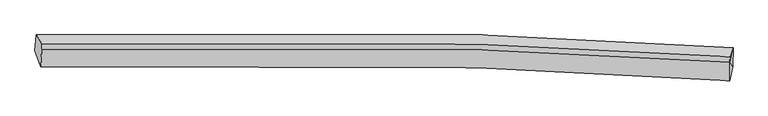
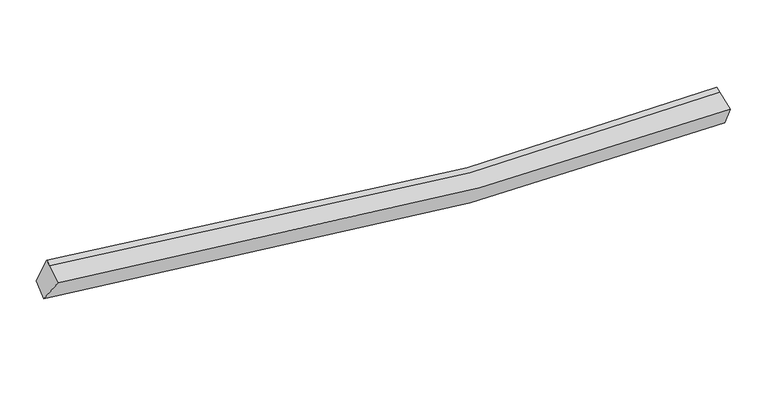
"""IFC4 building model written with IfcOpenShell, lengths in millimetres: proxy geometry."""

from ifc_helpers import new_model, si_unit, frame, origin, place, context, project, spatial, source, transform, mapped, element, save
from ifc_brep_helpers import plane_surface, spline_curve, spline_surface, advanced_brep


def generic_models_105ac883(model_context):
    return source(origin(), model_context, "Body", "AdvancedBrep", [
        advanced_brep(
        [(-8780.0004189, -1978.1799238, 3361.4447432), (-8745.1202098, -1590.376379, 3586.3232515), (8096.9679658, -1900.2569917, 2512.7650015), (8083.7157921, -2358.5172861, 2352.7592769), (-8642.5192386, -2363.887838, 3977.8280088), (8021.5460911, -2697.9026321, 2938.7221727), (-8615.3890776, -1952.2462129, 4168.2554268), (8019.4204888, -2254.7485254, 3128.6766358), (-8609.6286741, -1805.2538095, 4217.0924118), (8024.8092533, -2117.2395029, 3174.3628476)],
        [
            (0, 1),
            (1, 2, spline_curve(3, [(-8745.1202098, -1590.376379, 3586.3232515), (-5202.19316634, -1477.502188179, 2821.456711513), (-1645.457495499, -1477.943458067, 2397.972292488), (3977.816529782, -1657.099694905, 2268.668839761), (6035.110249997, -1759.951961347, 2334.300507881), (8096.9679658, -1900.2569917, 2512.7650015)], [4, 2, 4], [0.0, 35.286291651133006, 55.57261598783803])),
            (2, 3),
            (3, 0, spline_curve(3, [(8083.7157921, -2358.5172861, 2352.7592769), (6021.813110306, -2198.59454026, 2189.397997733), (3963.530153784, -2080.15626, 2130.474689544), (-1665.040541985, -1869.347998789, 2255.158136923), (-5227.996323895, -1861.007158106, 2650.309934517), (-8780.0004189, -1978.1799238, 3361.4447432)], [4, 2, 4], [0.0, 20.28632433670502, 55.57261598783803])),
            (4, 0),
            (3, 5),
            (5, 4, spline_curve(3, [(8021.5460911, -2697.9026321, 2938.7221727), (5982.202178324, -2559.022528877, 2797.152277884), (3947.111290055, -2456.003026542, 2753.416815804), (-1616.191895631, -2272.027077183, 2901.616228459), (-5135.78945015, -2263.708313817, 3291.720302403), (-8642.5192386, -2363.887838, 3977.8280088)], [4, 2, 4], [0.0, 20.171949262320062, 55.25929544825287])),
            (6, 4),
            (5, 7),
            (7, 6, spline_curve(3, [(8019.4204888, -2254.7485254, 3128.6766358), (5987.871387806, -2116.106251928, 2953.862100391), (3959.029376516, -2014.637499167, 2889.038686756), (-1591.390508313, -1838.506317611, 3012.7716858), (-5107.485018453, -1839.14096621, 3424.121362304), (-8615.3890776, -1952.2462129, 4168.2554268)], [4, 2, 4], [0.0, 20.03753915015838, 54.891090670291774])),
            (8, 6),
            (7, 9),
            (9, 8, spline_curve(3, [(8024.8092533, -2117.2395029, 3174.3628476), (5993.234154689, -1979.260639298, 2999.327899863), (3964.39214333, -1877.791886425, 2934.504486433), (-1585.956523106, -1699.843351705, 3058.841284987), (-5101.927153705, -1697.316873508, 3471.241220451), (-8609.6286741, -1805.2538095, 4217.0924118)], [4, 2, 4], [0.0, 20.025829963267753, 54.85901437417217])),
            (1, 8),
            (9, 2),
            (7, 2),
            (3, 7),
        ],
        [
            spline_surface(3, 3, [[(-8780.0004189, -1978.1799238, 3361.4447432), (-5227.996323323, -1861.007157625, 2650.309934228), (-1665.040542561, -1869.347998327, 2255.158137118), (3963.530154115, -2080.156260266, 2130.474689431), (6021.813110305, -2198.594540389, 2189.397997775), (8083.7157921, -2358.5172861, 2352.7592769)], [(-8768.373682509, -1848.912075526, 3436.404245952), (-5219.395271117, -1733.172167685, 2707.358859894), (-1658.512860057, -1738.879818349, 2302.762855748), (3968.292279282, -1939.137405049, 2176.539406077), (6026.245490123, -2052.380347486, 2237.698834374), (8088.133183338, -2205.76385465, 2406.094518408)], [(-8756.746946191, -1719.644227274, 3511.363748748), (-5210.794218985, -1605.337177767, 2764.407785604), (-1651.985177611, -1608.411638435, 2350.367574438), (3973.05440439, -1798.118549898, 2222.604122782), (6030.677869926, -1906.166154532, 2285.999671049), (8092.550574562, -2053.01042315, 2459.429759992)], [(-8745.1202098, -1590.376379, 3586.3232515), (-5202.193166779, -1477.502187826, 2821.456711269), (-1645.457495107, -1477.943458457, 2397.972293068), (3977.816529556, -1657.099694681, 2268.668839427), (6035.110249743, -1759.951961628, 2334.300507649), (8096.9679658, -1900.2569917, 2512.7650015)]], [4, 4], [4, 2, 4], [0.0, 1.398519927184832], [0.0, 35.286291651133006, 55.57261598783803]),
            spline_surface(3, 3, [[(-8642.5192386, -2363.887838, 3977.8280088), (-5135.789449589, -2263.708314263, 3291.720302059), (-1616.191895057, -2272.027076989, 2901.616228084), (3947.111289725, -2456.003026653, 2753.416816019), (5982.202178459, -2559.022528618, 2797.152277956), (8021.5460911, -2697.9026321, 2938.7221727)], [(-8688.34629873, -2235.318533292, 3772.366920291), (-5166.525074196, -2129.474595409, 3077.91684614), (-1632.474777587, -2137.800717455, 2686.130197771), (3952.584244493, -2330.720771211, 2545.769440499), (5995.405822418, -2438.879865865, 2594.567517918), (8042.269324777, -2584.774183424, 2743.401207456)], [(-8734.17335877, -2106.749228508, 3566.905831709), (-5197.260698715, -1995.240876479, 2864.113390147), (-1648.757660032, -2003.574357861, 2470.644167431), (3958.057199346, -2205.438515708, 2338.122064951), (6008.609466346, -2318.737203142, 2391.982757812), (8062.992558423, -2471.645734776, 2548.080242144)], [(-8780.0004189, -1978.1799238, 3361.4447432), (-5227.996323323, -1861.007157625, 2650.309934228), (-1665.040542561, -1869.347998327, 2255.158137118), (3963.530154115, -2080.156260266, 2130.474689431), (6021.813110305, -2198.594540389, 2189.397997775), (8083.7157921, -2358.5172861, 2352.7592769)]], [4, 4], [4, 2, 4], [0.0, 2.4639804452725413], [0.0, 35.08734618593281, 55.25929544825287]),
            spline_surface(3, 3, [[(-8615.3890776, -1952.2462129, 4168.2554268), (-5107.485018841, -1839.140966716, 3424.121362611), (-1591.390508297, -1838.50631792, 3012.77168565), (3959.029376507, -2014.637498989, 2889.038686842), (5987.871388122, -2116.106251941, 2953.862100128), (8019.4204888, -2254.7485254, 3128.6766358)], [(-8624.432464602, -2089.460087935, 4104.779620779), (-5116.919829092, -1980.6634159, 3379.987675739), (-1599.657637213, -1983.013237618, 2975.719866481), (3955.056680917, -2161.759341552, 2843.831396587), (5985.981651562, -2263.745010835, 2901.625492714), (8020.129022894, -2402.466560968, 3065.35848141)], [(-8633.475851598, -2226.673962965, 4041.303814821), (-5126.354639337, -2122.185865078, 3335.853988931), (-1607.924766141, -2127.520157291, 2938.668047253), (3951.083985315, -2308.88118409, 2798.624106274), (5984.091915019, -2411.383769724, 2849.38888537), (8020.837557006, -2550.184596532, 3002.04032709)], [(-8642.5192386, -2363.887838, 3977.8280088), (-5135.789449589, -2263.708314263, 3291.720302059), (-1616.191895057, -2272.027076989, 2901.616228084), (3947.111289725, -2456.003026653, 2753.416816019), (5982.202178459, -2559.022528618, 2797.152277956), (8021.5460911, -2697.9026321, 2938.7221727)]], [4, 4], [4, 2, 4], [0.0, 1.4829884619485252], [0.0, 34.853551520133394, 54.891090670291774]),
            spline_surface(3, 3, [[(-8609.6286741, -1805.2538095, 4217.0924118), (-5101.927153387, -1697.316873946, 3471.241220038), (-1585.956522557, -1699.843352142, 3058.841285262), (3964.392143015, -1877.791886173, 2934.504486275), (5993.234154629, -1979.260639125, 2999.327899661), (8024.8092533, -2117.2395029, 3174.3628476)], [(-8611.548808569, -1854.251277289, 4200.813416795), (-5103.779775173, -1744.591571524, 3455.534600891), (-1587.767851129, -1746.064340736, 3043.484752029), (3962.604554187, -1923.407090447, 2919.349219768), (5991.446565801, -2024.875843398, 2984.172633154), (8023.012998475, -2163.075843735, 3159.134110337)], [(-8613.468943131, -1903.248745111, 4184.534421805), (-5105.632397054, -1791.866269137, 3439.827981758), (-1589.579179725, -1792.285329326, 3028.128218883), (3960.816965335, -1969.022294716, 2904.193953349), (5989.65897695, -2070.491047668, 2969.017366635), (8021.216743625, -2208.912184565, 3143.905373063)], [(-8615.3890776, -1952.2462129, 4168.2554268), (-5107.485018841, -1839.140966716, 3424.121362611), (-1591.390508297, -1838.50631792, 3012.77168565), (3959.029376507, -2014.637498989, 2889.038686842), (5987.871388122, -2116.106251941, 2953.862100128), (8019.4204888, -2254.7485254, 3128.6766358)]], [4, 4], [4, 2, 4], [0.0, 0.4792084426889631], [0.0, 34.833184410904416, 54.85901437417217]),
            spline_surface(3, 3, [[(-8745.1202098, -1590.376379, 3586.3232515), (-5202.193166779, -1477.502187826, 2821.456711269), (-1645.457495107, -1477.943458457, 2397.972293068), (3977.816529556, -1657.099694681, 2268.668839427), (6035.110249743, -1759.951961628, 2334.300507649), (8096.9679658, -1900.2569917, 2512.7650015)], [(-8699.956364591, -1662.002189158, 3796.579638283), (-5168.771162339, -1550.773749858, 3038.051547542), (-1625.623837593, -1551.910089678, 2618.261957153), (3973.341734039, -1730.663758504, 2490.614055064), (6021.151551355, -1833.054854117, 2555.976305008), (8072.915061616, -1972.584495423, 2733.297616888)], [(-8654.792519309, -1733.627999342, 4006.836025017), (-5135.349157826, -1624.045311914, 3254.646383766), (-1605.79018007, -1625.876720922, 2838.551621177), (3968.866938532, -1804.227822351, 2712.559270639), (6007.192853018, -1906.157746636, 2777.652102302), (8048.862157484, -2044.911999177, 2953.830232212)], [(-8609.6286741, -1805.2538095, 4217.0924118), (-5101.927153387, -1697.316873946, 3471.241220038), (-1585.956522557, -1699.843352142, 3058.841285262), (3964.392143015, -1877.791886173, 2934.504486275), (5993.234154629, -1979.260639125, 2999.327899661), (8024.8092533, -2117.2395029, 3174.3628476)]], [4, 4], [4, 2, 4], [0.0, 2.2908258502883294], [0.0, 35.05294906961207, 55.20512320042132]),
            plane_surface(frame((-8678.5315238, -1937.9888326, 3862.1887684), z_axis=(-0.9792432704052434, -0.02830657756708728, 0.20070215502700053), x_axis=(-0.07757316823615415, -0.8624704477859798, -0.5001271141076605))),
            plane_surface(frame((8047.0659026, -2090.74834, 2938.601495), z_axis=(0.9939781485331687, -0.0676044649745086, 0.08623848650158808), x_axis=(0.10847923137379631, 0.4958893644940392, -0.8615834228571534))),
            plane_surface(frame((8041.5607907, -2437.0561478, 2806.7193618), z_axis=(0.9956930611530026, -0.03245018285276391, 0.08684649448645264), x_axis=(0.004408551866442122, -0.9191126110632145, -0.39397026899881815))),
            plane_surface(frame((8066.7014156, -2171.1742677, 2664.7336381), z_axis=(0.9940731692616375, -0.06032504724299906, 0.09044016159458018), x_axis=(0.0818567334106134, -0.13211185485351612, -0.9878491448609485))),
        ],
        [
            (0, [[1, 2, 3, 4]]),
            (1, [[5, -4, 6, 7]]),
            (2, [[8, -7, 9, 10]]),
            (3, [[11, -10, 12, 13]]),
            (4, [[14, -13, 15, -2]]),
            (5, [[-1, -5, -8, -11, -14]]),
            (6, [[16, -15, -12]]),
            (7, [[-9, -6, 17]]),
            (8, [[-17, -3, -16]]),
        ],
    ),
    ])


if __name__ == "__main__":
    model = new_model("IFC4")
    model_context = context("Model", 3, world=origin())
    ifc_project = project(units=[si_unit("LENGTHUNIT", "METRE", prefix="MILLI")], contexts=[model_context])
    site = spatial("IfcSite", under=ifc_project)
    building = spatial("IfcBuilding", under=site)
    placement = place(None, origin())
    generic_models_shape = generic_models_105ac883(model_context)
    element("IfcBuildingElementProxy", 1, Name="Generic Models", at=placement, inside=building, context=model_context, shape_type="MappedRepresentation", body=[
        mapped(generic_models_shape, transform((0.0, 0.0, 0.0), x_axis=(1.0, 0.0, 0.0), y_axis=(0.0, 1.0, 0.0), z_axis=(0.0, 0.0, 1.0))),
    ])
    save(model, "model.ifc")
